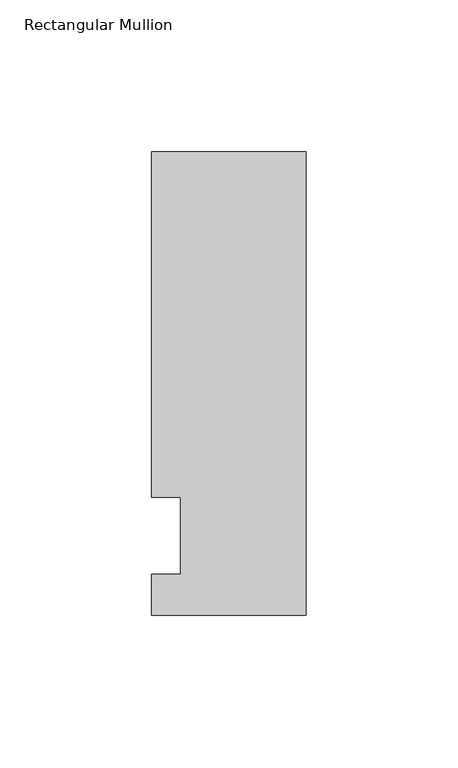
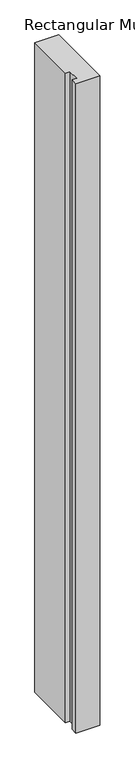
"""IFC4 building model written with IfcOpenShell, lengths in millimetres: member geometry, Rectangular Mullion."""

from ifc_helpers import new_model, si_unit, frame, origin, place, context, project, spatial, polyline, outline, extrude, source, transform, mapped, element, save


def rectangular_mullion_30d190d3(model_context):
    return source(origin(), model_context, "Body", "SweptSolid", [
        extrude(outline(polyline([(-50.8, -26.19375), (-50.8, -12.7), (-41.275, -12.7), (-41.275, 12.7), (-50.8, 12.7), (-50.8, 126.20625), (0.0, 126.20625), (0.0, -26.19375), (-50.8, -26.19375)])), frame((0.0, 0.0, -1473.2), z_axis=(0.0, 0.0, 1.0), x_axis=(1.0, 0.0, 0.0)), (0.0, 0.0, 1.0), 1473.2),
    ])


if __name__ == "__main__":
    model = new_model("IFC4")
    model_context = context("Model", 3, world=origin())
    ifc_project = project(units=[si_unit("LENGTHUNIT", "METRE", prefix="MILLI")], contexts=[model_context])
    site = spatial("IfcSite", under=ifc_project)
    building = spatial("IfcBuilding", under=site)
    placement = place(None, origin())
    rectangular_mullion_shape = rectangular_mullion_30d190d3(model_context)
    element("IfcMember", 1, ObjectType="Rectangular Mullion", at=placement, inside=building, context=model_context, shape_type="MappedRepresentation", body=[
        mapped(rectangular_mullion_shape, transform((0.0, 0.0, 0.0), x_axis=(1.0, 0.0, 0.0), y_axis=(0.0, 1.0, 0.0), z_axis=(0.0, 0.0, 1.0))),
    ])
    save(model, "model.ifc")
